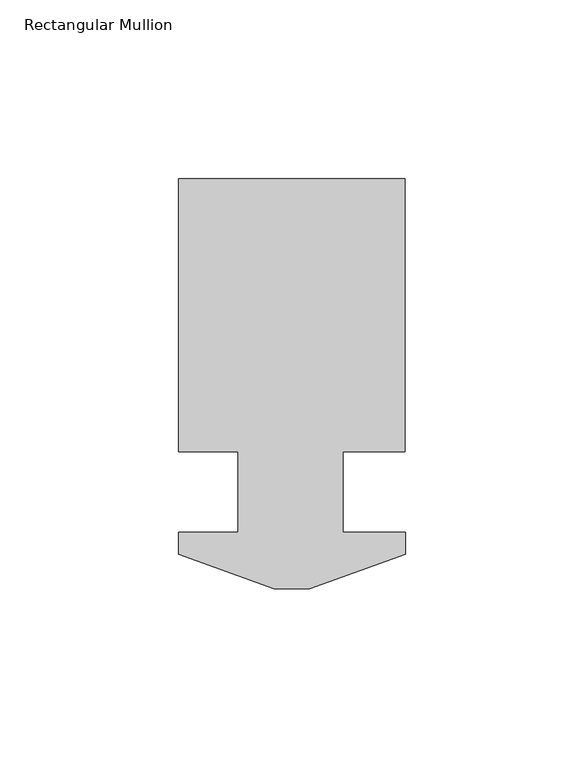
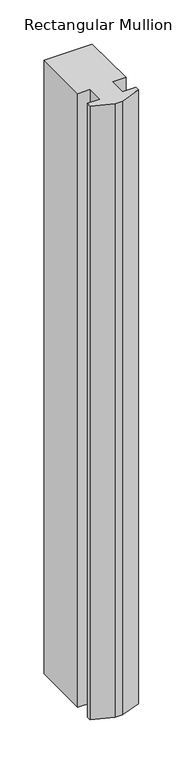
"""IFC4 building model written with IfcOpenShell, lengths in millimetres: member geometry, Rectangular Mullion."""

from ifc_helpers import new_model, si_unit, frame, origin, place, context, project, spatial, polyline, outline, extrude, source, transform, mapped, element, save


def rectangular_mullion_0a4dfc65(model_context):
    return source(origin(), model_context, "Body", "SweptSolid", [
        extrude(outline(polyline([(31.75, 76.6294188), (31.75, 0.0992187), (14.2875, 0.0992188), (14.2875, -22.3797812), (31.7750021, -22.3797812), (31.7750021, -28.4757813), (4.9772064, -38.2293812), (-4.9272021, -38.2293812), (-31.7249979, -28.4757812), (-31.7249979, -22.3797812), (-15.065769, -22.3797812), (-15.065769, 0.0992187), (-31.75, 0.0992188), (-31.75, 76.6294188), (31.75, 76.6294188)])), frame((0.0, 0.0, -850.9), z_axis=(0.0, 0.0, 1.0), x_axis=(1.0, 0.0, 0.0)), (0.0, 0.0, 1.0), 850.9),
    ])


if __name__ == "__main__":
    model = new_model("IFC4")
    model_context = context("Model", 3, world=origin())
    ifc_project = project(units=[si_unit("LENGTHUNIT", "METRE", prefix="MILLI")], contexts=[model_context])
    site = spatial("IfcSite", under=ifc_project)
    building = spatial("IfcBuilding", under=site)
    placement = place(None, origin())
    rectangular_mullion_shape = rectangular_mullion_0a4dfc65(model_context)
    element("IfcMember", 1, ObjectType="Rectangular Mullion", at=placement, inside=building, context=model_context, shape_type="MappedRepresentation", body=[
        mapped(rectangular_mullion_shape, transform((0.0, 0.0, 0.0), x_axis=(1.0, 0.0, 0.0), y_axis=(0.0, 1.0, 0.0), z_axis=(0.0, 0.0, 1.0))),
    ])
    save(model, "model.ifc")
